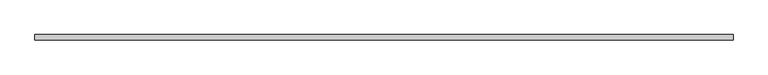
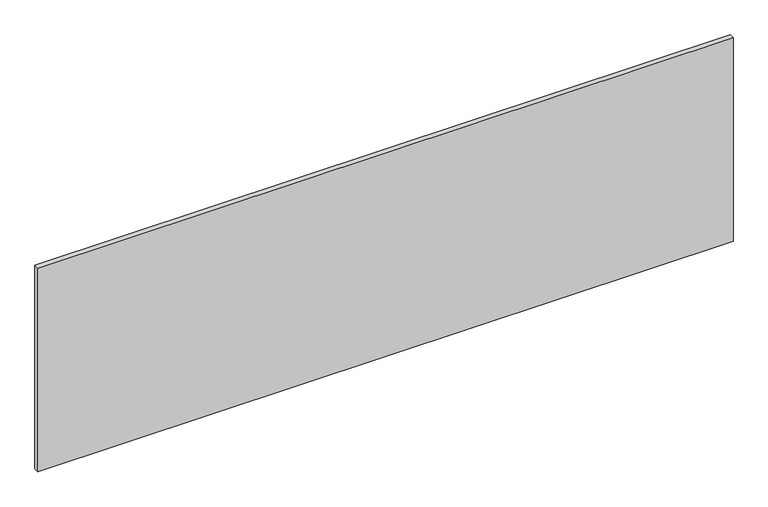
"""IFC4 building model written with IfcOpenShell, lengths in millimetres: plate geometry."""

from ifc_helpers import new_model, si_unit, origin, origin_with_axes, place, context, project, spatial, polyline, outline, extrude, source, transform, mapped, element, save


def plate_f009a66c(model_context):
    return source(origin(), model_context, "Body", "SweptSolid", [
        extrude(outline(polyline([(1420.0, 10.75), (1420.0, -10.75), (-1420.0, -10.75), (-1420.0, 10.75), (1420.0, 10.75)])), origin_with_axes(), (0.0, 0.0, 1.0), 879.0),
    ])


if __name__ == "__main__":
    model = new_model("IFC4")
    model_context = context("Model", 3, world=origin())
    ifc_project = project(units=[si_unit("LENGTHUNIT", "METRE", prefix="MILLI")], contexts=[model_context])
    site = spatial("IfcSite", under=ifc_project)
    building = spatial("IfcBuilding", under=site)
    placement = place(None, origin())
    plate_shape = plate_f009a66c(model_context)
    element("IfcPlate", 1, at=placement, inside=building, context=model_context, shape_type="MappedRepresentation", body=[
        mapped(plate_shape, transform((0.0, 0.0, 0.0), x_axis=(1.0, 0.0, 0.0), y_axis=(0.0, 1.0, 0.0), z_axis=(0.0, 0.0, 1.0))),
    ])
    save(model, "model.ifc")
